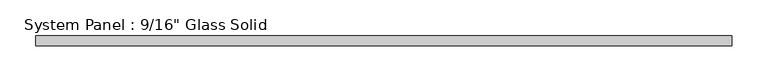
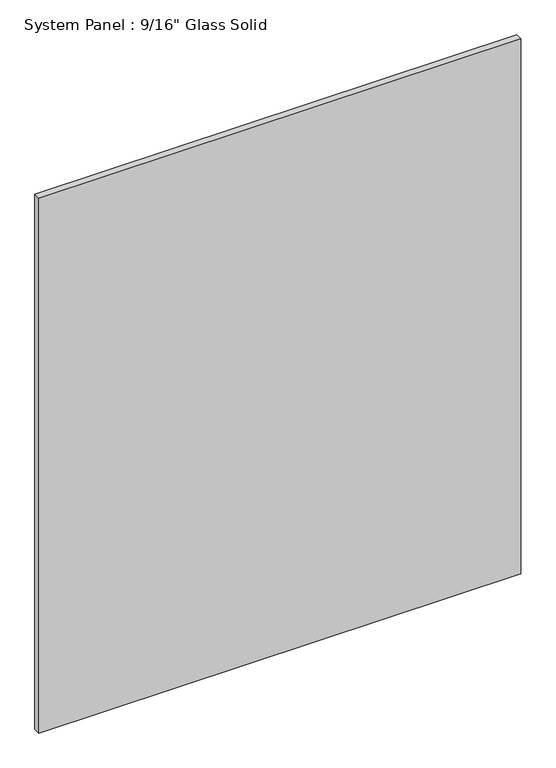
"""IFC4 building model written with IfcOpenShell, lengths in millimetres: plate geometry."""

from ifc_helpers import new_model, si_unit, origin, origin_with_axes, place, context, project, spatial, polyline, outline, extrude, source, transform, mapped, element, save


def plate_4f630e7c(model_context):
    return source(origin(), model_context, "Body", "SweptSolid", [
        extrude(outline(polyline([(488.9508852, -7.14375), (-488.9508852, -7.14375), (-488.9508852, 7.14375), (488.9508852, 7.14375), (488.9508852, -7.14375)])), origin_with_axes(), (0.0, 0.0, 1.0), 1147.3344027),
    ])


if __name__ == "__main__":
    model = new_model("IFC4")
    model_context = context("Model", 3, world=origin())
    ifc_project = project(units=[si_unit("LENGTHUNIT", "METRE", prefix="MILLI")], contexts=[model_context])
    site = spatial("IfcSite", under=ifc_project)
    building = spatial("IfcBuilding", under=site)
    placement = place(None, origin())
    plate_shape = plate_4f630e7c(model_context)
    element("IfcPlate", 1, ObjectType="System Panel : 9/16\" Glass Solid", at=placement, inside=building, context=model_context, shape_type="MappedRepresentation", body=[
        mapped(plate_shape, transform((0.0, 0.0, 0.0), x_axis=(1.0, 0.0, 0.0), y_axis=(0.0, 1.0, 0.0), z_axis=(0.0, 0.0, 1.0))),
    ])
    save(model, "model.ifc")
